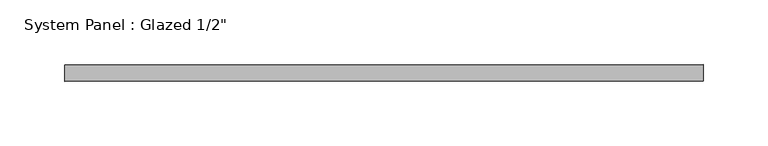
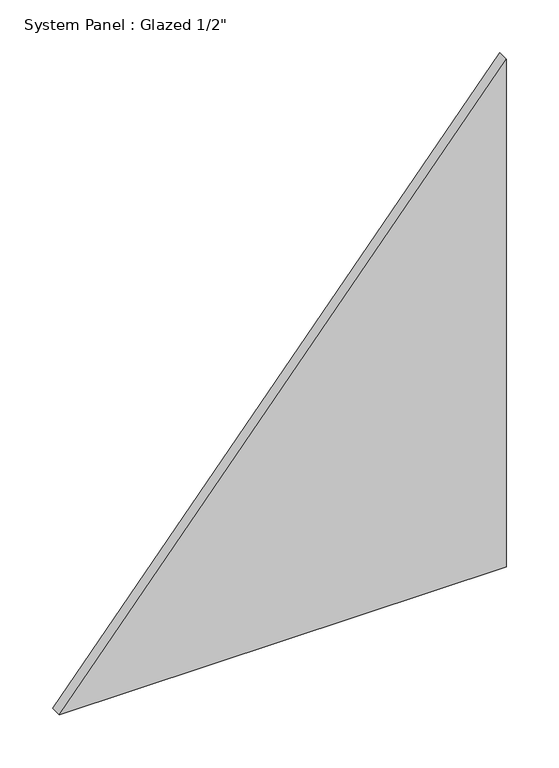
"""IFC4 building model written with IfcOpenShell, lengths in millimetres: plate geometry."""

from ifc_helpers import new_model, si_unit, frame, origin, place, context, project, spatial, polyline, outline, extrude, source, transform, mapped, element, save


def plate_ffe37a8e(model_context):
    return source(origin(), model_context, "Body", "SweptSolid", [
        extrude(outline(polyline([(0.0, -245.7278408), (0.0, 245.7278408), (590.6562198, 245.7278408), (0.0, -245.7278408)])), frame((0.0, -6.35, 0.0), z_axis=(0.0, 1.0, 0.0), x_axis=(0.0, 0.0, 1.0)), (0.0, 0.0, 1.0), 12.7),
    ])


if __name__ == "__main__":
    model = new_model("IFC4")
    model_context = context("Model", 3, world=origin())
    ifc_project = project(units=[si_unit("LENGTHUNIT", "METRE", prefix="MILLI")], contexts=[model_context])
    site = spatial("IfcSite", under=ifc_project)
    building = spatial("IfcBuilding", under=site)
    placement = place(None, origin())
    plate_shape = plate_ffe37a8e(model_context)
    element("IfcPlate", 1, ObjectType="System Panel : Glazed 1/2\"", at=placement, inside=building, context=model_context, shape_type="MappedRepresentation", body=[
        mapped(plate_shape, transform((0.0, 0.0, 0.0), x_axis=(1.0, 0.0, 0.0), y_axis=(0.0, 1.0, 0.0), z_axis=(0.0, 0.0, 1.0))),
    ])
    save(model, "model.ifc")
